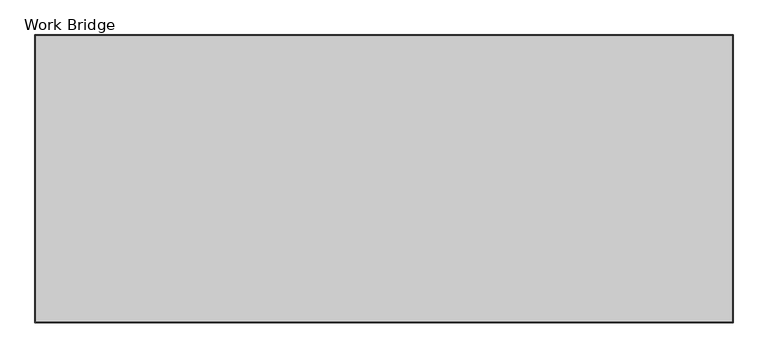
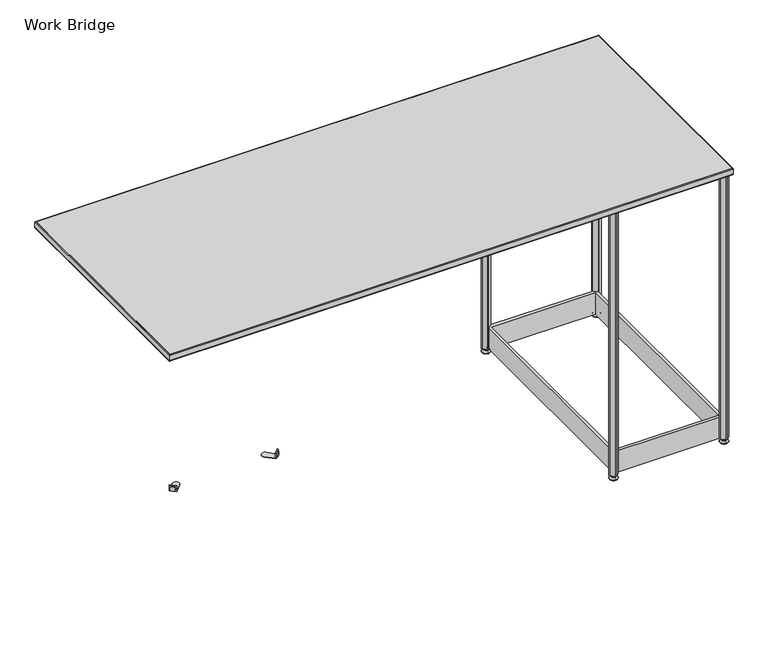
"""IFC4 building model written with IfcOpenShell, lengths in millimetres: furniture geometry, Work Bridge."""

from ifc_helpers import new_model, si_unit, point, frame, frame_2d, origin, place, context, project, spatial, polyline, circle_curve, ellipse_curve, trimmed, segment, composite_curve, outline, extrude, source, transform, mapped, element, save
from ifc_brep_helpers import plane_surface, cylinder_surface, revolved_surface, advanced_brep


def work_bridge_20966f3a(model_context):
    return source(origin(), model_context, "Body", "SolidModel", [
        extrude(outline(composite_curve([segment(polyline([(1612.3289295, -29.7938348), (1605.7351587, -23.200064)]), True, "CONTINUOUS"), segment(trimmed(circle_curve(frame_2d((1607.9802228, -20.955)), 3.175), [point((1605.7351587, -23.200064))], [point((1605.7351587, -18.709936))], False, "CARTESIAN"), True, "CONTINUOUS"), segment(polyline([(1605.7351587, -18.709936), (1618.9227002, -5.5223945)]), True, "CONTINUOUS"), segment(trimmed(circle_curve(frame_2d((1621.1677642, -7.7674585)), 3.175), [point((1618.9227002, -5.5223945))], [point((1623.4128283, -5.5223945))], False, "CARTESIAN"), True, "CONTINUOUS"), segment(polyline([(1623.4128283, -5.5223945), (1630.006599, -12.1161652), (1633.5145605, -8.6082037), (1640.9380415, -14.7582159), (1665.9562064, -14.7584862)]), True, "CONTINUOUS"), segment(trimmed(circle_curve(frame_2d((1665.9561241, -22.3784862)), 7.62), [point((1665.9562064, -14.7584862))], [point((1673.2215017, -24.6760257))], False, "CARTESIAN"), True, "CONTINUOUS"), segment(polyline([(1673.2215017, -24.6760257), (1663.9964184, -53.847978)]), True, "CONTINUOUS"), segment(trimmed(circle_curve(frame_2d((1649.4656632, -49.2528989)), 15.24), [point((1663.9964184, -53.847978))], [point((1654.0607422, -63.7836542))], False, "CARTESIAN"), True, "CONTINUOUS"), segment(polyline([(1654.0607422, -63.7836542), (1624.88879, -73.0087375)]), True, "CONTINUOUS"), segment(trimmed(circle_curve(frame_2d((1622.5912504, -65.7433598)), 7.62), [point((1624.88879, -73.0087375))], [point((1614.9712504, -65.7434421))], False, "CARTESIAN"), True, "CONTINUOUS"), segment(polyline([(1614.9712504, -65.7434421), (1614.9709802, -40.7252773), (1608.820968, -33.3017963), (1612.3289295, -29.7938348)]), True, "CONTINUOUS")], self_intersect=False)), frame((0.0, 0.0, 1022.9596), z_axis=(0.0, 0.0, 1.0), x_axis=(1.0, 0.0, 0.0)), (0.0, 0.0, 1.0), 2.9972),
        extrude(outline(composite_curve([segment(polyline([(2030.056599, -29.7938348), (2033.5645605, -33.3017963), (2027.4145483, -40.7252773), (2027.4142781, -65.7434421)]), True, "CONTINUOUS"), segment(trimmed(circle_curve(frame_2d((2019.7942781, -65.7433598)), 7.62), [point((2027.4142781, -65.7434421))], [point((2017.4967385, -73.0087375))], False, "CARTESIAN"), True, "CONTINUOUS"), segment(polyline([(2017.4967385, -73.0087375), (1988.3247862, -63.7836542)]), True, "CONTINUOUS"), segment(trimmed(circle_curve(frame_2d((1992.9198653, -49.2528989)), 15.24), [point((1988.3247862, -63.7836542))], [point((1978.3891101, -53.847978))], False, "CARTESIAN"), True, "CONTINUOUS"), segment(polyline([(1978.3891101, -53.847978), (1969.1640268, -24.6760257)]), True, "CONTINUOUS"), segment(trimmed(circle_curve(frame_2d((1976.4294044, -22.3784862)), 7.62), [point((1969.1640268, -24.6760257))], [point((1976.4293221, -14.7584862))], False, "CARTESIAN"), True, "CONTINUOUS"), segment(polyline([(1976.4293221, -14.7584862), (2001.447487, -14.7582159), (2008.870968, -8.6082037), (2012.3789295, -12.1161652), (2018.9727002, -5.5223945)]), True, "CONTINUOUS"), segment(trimmed(circle_curve(frame_2d((2021.2177642, -7.7674585)), 3.175), [point((2018.9727002, -5.5223945))], [point((2023.4628283, -5.5223945))], False, "CARTESIAN"), True, "CONTINUOUS"), segment(polyline([(2023.4628283, -5.5223945), (2036.6503697, -18.709936)]), True, "CONTINUOUS"), segment(trimmed(circle_curve(frame_2d((2034.4053057, -20.955)), 3.175), [point((2036.6503697, -18.709936))], [point((2036.6503697, -23.200064))], False, "CARTESIAN"), True, "CONTINUOUS"), segment(polyline([(2036.6503697, -23.200064), (2030.056599, -29.7938348)]), True, "CONTINUOUS")], self_intersect=False)), frame((0.0, 0.0, 1022.9596), z_axis=(0.0, 0.0, 1.0), x_axis=(1.0, 0.0, 0.0)), (0.0, 0.0, 1.0), 2.9972),
        extrude(outline(composite_curve([segment(polyline([(1612.3289295, -812.2161652), (1608.820968, -808.7082037), (1614.9709802, -801.2847227), (1614.9712504, -776.2665579)]), True, "CONTINUOUS"), segment(trimmed(circle_curve(frame_2d((1622.5912504, -776.2666402)), 7.62), [point((1614.9712504, -776.2665579))], [point((1624.88879, -769.0012625))], False, "CARTESIAN"), True, "CONTINUOUS"), segment(polyline([(1624.88879, -769.0012625), (1654.0607422, -778.2263458)]), True, "CONTINUOUS"), segment(trimmed(circle_curve(frame_2d((1649.4656632, -792.7571011)), 15.24), [point((1654.0607422, -778.2263458))], [point((1663.9964184, -788.162022))], False, "CARTESIAN"), True, "CONTINUOUS"), segment(polyline([(1663.9964184, -788.162022), (1673.2215017, -817.3339743)]), True, "CONTINUOUS"), segment(trimmed(circle_curve(frame_2d((1665.9561241, -819.6315138)), 7.62), [point((1673.2215017, -817.3339743))], [point((1665.9562064, -827.2515138))], False, "CARTESIAN"), True, "CONTINUOUS"), segment(polyline([(1665.9562064, -827.2515138), (1640.9380415, -827.2517841), (1633.5145605, -833.4017963), (1630.006599, -829.8938348), (1623.4128283, -836.4876055)]), True, "CONTINUOUS"), segment(trimmed(circle_curve(frame_2d((1621.1677642, -834.2425415)), 3.175), [point((1623.4128283, -836.4876055))], [point((1618.9227002, -836.4876055))], False, "CARTESIAN"), True, "CONTINUOUS"), segment(polyline([(1618.9227002, -836.4876055), (1605.7351587, -823.300064)]), True, "CONTINUOUS"), segment(trimmed(circle_curve(frame_2d((1607.9802228, -821.055)), 3.175), [point((1605.7351587, -823.300064))], [point((1605.7351587, -818.809936))], False, "CARTESIAN"), True, "CONTINUOUS"), segment(polyline([(1605.7351587, -818.809936), (1612.3289295, -812.2161652)]), True, "CONTINUOUS")], self_intersect=False)), frame((0.0, 0.0, 1022.9596), z_axis=(0.0, 0.0, 1.0), x_axis=(1.0, 0.0, 0.0)), (0.0, 0.0, 1.0), 2.9972),
        extrude(outline(composite_curve([segment(polyline([(2030.056599, -812.2161652), (2036.6503697, -818.809936)]), True, "CONTINUOUS"), segment(trimmed(circle_curve(frame_2d((2034.4053057, -821.055)), 3.175), [point((2036.6503697, -818.809936))], [point((2036.6503697, -823.300064))], False, "CARTESIAN"), True, "CONTINUOUS"), segment(polyline([(2036.6503697, -823.300064), (2023.4628283, -836.4876055)]), True, "CONTINUOUS"), segment(trimmed(circle_curve(frame_2d((2021.2177642, -834.2425415)), 3.175), [point((2023.4628283, -836.4876055))], [point((2018.9727002, -836.4876055))], False, "CARTESIAN"), True, "CONTINUOUS"), segment(polyline([(2018.9727002, -836.4876055), (2012.3789295, -829.8938348), (2008.870968, -833.4017963), (2001.447487, -827.2517841), (1976.4293221, -827.2515138)]), True, "CONTINUOUS"), segment(trimmed(circle_curve(frame_2d((1976.4294044, -819.6315138)), 7.62), [point((1976.4293221, -827.2515138))], [point((1969.1640268, -817.3339743))], False, "CARTESIAN"), True, "CONTINUOUS"), segment(polyline([(1969.1640268, -817.3339743), (1978.3891101, -788.162022)]), True, "CONTINUOUS"), segment(trimmed(circle_curve(frame_2d((1992.9198653, -792.7571011)), 15.24), [point((1978.3891101, -788.162022))], [point((1988.3247862, -778.2263458))], False, "CARTESIAN"), True, "CONTINUOUS"), segment(polyline([(1988.3247862, -778.2263458), (2017.4967385, -769.0012625)]), True, "CONTINUOUS"), segment(trimmed(circle_curve(frame_2d((2019.7942781, -776.2666402)), 7.62), [point((2017.4967385, -769.0012625))], [point((2027.4142781, -776.2665579))], False, "CARTESIAN"), True, "CONTINUOUS"), segment(polyline([(2027.4142781, -776.2665579), (2027.4145483, -801.2847227), (2033.5645605, -808.7082037), (2030.056599, -812.2161652)]), True, "CONTINUOUS")], self_intersect=False)), frame((0.0, 0.0, 1022.9596), z_axis=(0.0, 0.0, 1.0), x_axis=(1.0, 0.0, 0.0)), (0.0, 0.0, 1.0), 2.9972),
        extrude(outline(polyline([(1623.7077642, -805.9173305), (1623.7077642, -36.0926695), (1636.3054338, -23.495), (2006.0800947, -23.495), (2018.6777642, -36.0926695), (2018.6777642, -805.9173305), (2006.0800947, -818.515), (1636.3054338, -818.515), (1623.7077642, -805.9173305)]), holes=[polyline([(1633.8677642, -36.703), (1633.8677642, -808.355), (2008.5177642, -808.355), (2008.5177642, -36.703), (1633.8677642, -36.703)])]), frame((0.0, 0.0, 15.9766), z_axis=(0.0, 0.0, 1.0), x_axis=(1.0, 0.0, 0.0)), (0.0, 0.0, 1.0), 81.28),
        advanced_brep(
        [(2021.2177642, -16.955341, 15.9766), (2021.2177642, -24.954659, 15.9766), (2021.2177642, -20.955, 15.9766), (2021.2177642, -16.955341, 12.6000054), (2021.2177642, -24.954659, 12.6000054), (2021.2177642, -15.0948545, 12.6000054), (2021.2177642, -26.8151455, 12.6000054), (2021.2177642, -14.4598538, 11.9650074), (2021.2177642, -27.4501462, 11.9650074), (2021.2177642, -14.4598538, 9.0000124), (2021.2177642, -27.4501462, 9.0000124), (2021.2177642, -12.2128024, 9.0000124), (2021.2177642, -29.6971976, 9.0000124), (2021.2177642, -6.2489923, 2.3275608), (2021.2177642, -35.6610077, 2.3275608), (2021.2177642, -7.290399, 0.0), (2021.2177642, -34.619601, 0.0), (2021.2177642, -20.955, 0.0)],
        [
            (0, 1, circle_curve(frame((2021.2177642, -20.955, 15.9766), z_axis=(0.0, 0.0, 1.0), x_axis=(0.0, -1.0, 0.0)), 3.999659)),
            (1, 2),
            (2, 0),
            (1, 0, circle_curve(frame((2021.2177642, -20.955, 15.9766), z_axis=(0.0, 0.0, 1.0), x_axis=(0.0, -1.0, 0.0)), 3.999659)),
            (3, 4, circle_curve(frame((2021.2177642, -20.955, 12.6000054), z_axis=(0.0, 0.0, 1.0), x_axis=(0.0, -1.0, 0.0)), 3.999659)),
            (4, 1),
            (0, 3),
            (4, 3, circle_curve(frame((2021.2177642, -20.955, 12.6000054), z_axis=(0.0, 0.0, 1.0), x_axis=(0.0, -1.0, 0.0)), 3.999659)),
            (5, 6, circle_curve(frame((2021.2177642, -20.955, 12.6000054), z_axis=(0.0, 0.0, 1.0), x_axis=(0.0, -1.0, 0.0)), 5.8601455)),
            (6, 4),
            (3, 5),
            (6, 5, circle_curve(frame((2021.2177642, -20.955, 12.6000054), z_axis=(0.0, 0.0, 1.0), x_axis=(0.0, -1.0, 0.0)), 5.8601455)),
            (7, 8, circle_curve(frame((2021.2177642, -20.955, 11.9650074), z_axis=(0.0, 0.0, 1.0), x_axis=(0.0, -1.0, 0.0)), 6.4951462)),
            (8, 6, circle_curve(frame((2021.2177642, -26.8151462, 11.9650074), z_axis=(-1.0, 0.0, 0.0), x_axis=(0.0, -1.0, 0.0)), 0.635)),
            (5, 7, circle_curve(frame((2021.2177642, -15.0948538, 11.9650074), z_axis=(-1.0, 0.0, 0.0), x_axis=(0.0, 1.0, 0.0)), 0.635)),
            (8, 7, circle_curve(frame((2021.2177642, -20.955, 11.9650074), z_axis=(0.0, 0.0, 1.0), x_axis=(0.0, -1.0, 0.0)), 6.4951462)),
            (9, 10, circle_curve(frame((2021.2177642, -20.955, 9.0000124), z_axis=(0.0, 0.0, 1.0), x_axis=(0.0, -1.0, 0.0)), 6.4951462)),
            (10, 8),
            (7, 9),
            (10, 9, circle_curve(frame((2021.2177642, -20.955, 9.0000124), z_axis=(0.0, 0.0, 1.0), x_axis=(0.0, -1.0, 0.0)), 6.4951462)),
            (11, 12, circle_curve(frame((2021.2177642, -20.955, 9.0000124), z_axis=(0.0, 0.0, 1.0), x_axis=(0.0, -1.0, 0.0)), 8.7421976)),
            (12, 10),
            (9, 11),
            (12, 11, circle_curve(frame((2021.2177642, -20.955, 9.0000124), z_axis=(0.0, 0.0, 1.0), x_axis=(0.0, -1.0, 0.0)), 8.7421976)),
            (13, 14, circle_curve(frame((2021.2177642, -20.955, 2.3275608), z_axis=(0.0, 0.0, 1.0), x_axis=(0.0, -1.0, 0.0)), 14.7060077)),
            (14, 12),
            (11, 13),
            (14, 13, circle_curve(frame((2021.2177642, -20.955, 2.3275608), z_axis=(0.0, 0.0, 1.0), x_axis=(0.0, -1.0, 0.0)), 14.7060077)),
            (15, 16, circle_curve(frame((2021.2177642, -20.955, 0.0), z_axis=(0.0, 0.0, 1.0), x_axis=(0.0, -1.0, 0.0)), 13.664601)),
            (16, 14, circle_curve(frame((2021.2177642, -34.619601, 1.3967556), z_axis=(-1.0, 0.0, 0.0), x_axis=(0.0, -1.0, 0.0)), 1.3967556)),
            (13, 15, circle_curve(frame((2021.2177642, -7.290399, 1.3967556), z_axis=(-1.0, 0.0, 0.0), x_axis=(0.0, 1.0, 0.0)), 1.3967556)),
            (16, 15, circle_curve(frame((2021.2177642, -20.955, 0.0), z_axis=(0.0, 0.0, 1.0), x_axis=(0.0, -1.0, 0.0)), 13.664601)),
            (17, 16),
            (15, 17),
        ],
        [
            plane_surface(frame((2021.2177642, -20.955, 15.9766), z_axis=(0.0, 0.0, 1.0), x_axis=(0.0, -1.0, 0.0))),
            cylinder_surface(frame((2021.2177642, -20.955, -4.132372), z_axis=(0.0, 0.0, -1.0), x_axis=(0.0, -1.0, 0.0)), 3.999659),
            plane_surface(frame((2021.2177642, -20.955, 12.6000054), z_axis=(0.0, 0.0, 1.0), x_axis=(0.0, -1.0, 0.0))),
            revolved_surface(trimmed(ellipse_curve(frame((2021.2177642, -26.8151462, 11.9650074), z_axis=(1.0, 0.0, 0.0), x_axis=(0.0, -1.0, 0.0)), 0.635, 0.635), [point((2021.2177642, -26.8151455, 12.6000074))], [point((2021.2177642, -27.4501462, 11.9650074))], True, "CARTESIAN"), (2021.2177642, -20.955, -4.132372), (0.0, 0.0, -1.0)),
            cylinder_surface(frame((2021.2177642, -20.955, -4.132372), z_axis=(0.0, 0.0, -1.0), x_axis=(0.0, -1.0, 0.0)), 6.4951462),
            plane_surface(frame((2021.2177642, -20.955, 9.0000124), z_axis=(0.0, 0.0, 1.0), x_axis=(0.0, -1.0, 0.0))),
            revolved_surface(polyline([(2021.2177642, -29.6971976, 9.0000124), (2021.2177642, -35.6610077, 2.3275608)]), (2021.2177642, -20.955, -4.132372), (0.0, 0.0, -1.0)),
            revolved_surface(trimmed(ellipse_curve(frame((2021.2177642, -34.619601, 1.3967556), z_axis=(1.0, 0.0, 0.0), x_axis=(0.0, -1.0, 0.0)), 1.3967556, 1.3967556), [point((2021.2177642, -35.6610077, 2.3275608))], [point((2021.2177642, -34.619601, 0.0))], True, "CARTESIAN"), (2021.2177642, -20.955, -4.132372), (0.0, 0.0, -1.0)),
            plane_surface(frame((2021.2177642, -20.955, 0.0), z_axis=(0.0, 0.0, -1.0), x_axis=(0.0, -1.0, 0.0))),
        ],
        [
            (0, [[1, 2, 3]]),
            (0, [[4, -3, -2]]),
            (1, [[5, 6, -1, 7]]),
            (1, [[8, -7, -4, -6]]),
            (2, [[9, 10, -5, 11]]),
            (2, [[12, -11, -8, -10]]),
            (3, [[13, 14, -9, 15]]),
            (3, [[16, -15, -12, -14]]),
            (4, [[17, 18, -13, 19]]),
            (4, [[20, -19, -16, -18]]),
            (5, [[21, 22, -17, 23]]),
            (5, [[24, -23, -20, -22]]),
            (6, [[25, 26, -21, 27]]),
            (6, [[28, -27, -24, -26]]),
            (7, [[29, 30, -25, 31]]),
            (7, [[32, -31, -28, -30]]),
            (8, [[33, -29, 34]]),
            (8, [[-34, -32, -33]]),
        ],
    ),
        advanced_brep(
        [(2021.2177642, -821.055, 15.9766), (2021.2177642, -817.055341, 15.9766), (2021.2177642, -825.054659, 15.9766), (2021.2177642, -817.055341, 12.6000054), (2021.2177642, -825.054659, 12.6000054), (2021.2177642, -815.1948545, 12.6000074), (2021.2177642, -826.9151455, 12.6000074), (2021.2177642, -814.5598538, 11.9650074), (2021.2177642, -827.5501462, 11.9650074), (2021.2177642, -814.5598538, 9.0000124), (2021.2177642, -827.5501462, 9.0000124), (2021.2177642, -812.3128024, 9.0000124), (2021.2177642, -829.7971976, 9.0000124), (2021.2177642, -806.3489923, 2.3275608), (2021.2177642, -835.7610077, 2.3275608), (2021.2177642, -807.390399, 0.0), (2021.2177642, -834.719601, 0.0), (2021.2177642, -821.055, 0.0)],
        [
            (0, 1),
            (1, 2, circle_curve(frame((2021.2177642, -821.055, 15.9766), z_axis=(0.0, 0.0, 1.0), x_axis=(0.0, 1.0, 0.0)), 3.999659)),
            (2, 0),
            (2, 1, circle_curve(frame((2021.2177642, -821.055, 15.9766), z_axis=(0.0, 0.0, 1.0), x_axis=(0.0, 1.0, 0.0)), 3.999659)),
            (1, 3),
            (3, 4, circle_curve(frame((2021.2177642, -821.055, 12.6000054), z_axis=(0.0, 0.0, 1.0), x_axis=(0.0, 1.0, 0.0)), 3.999659)),
            (4, 2),
            (4, 3, circle_curve(frame((2021.2177642, -821.055, 12.6000054), z_axis=(0.0, 0.0, 1.0), x_axis=(0.0, 1.0, 0.0)), 3.999659)),
            (3, 5),
            (5, 6, circle_curve(frame((2021.2177642, -821.055, 12.6000074), z_axis=(0.0, 0.0, 1.0), x_axis=(0.0, 1.0, 0.0)), 5.8601455)),
            (6, 4),
            (6, 5, circle_curve(frame((2021.2177642, -821.055, 12.6000074), z_axis=(0.0, 0.0, 1.0), x_axis=(0.0, 1.0, 0.0)), 5.8601455)),
            (5, 7, circle_curve(frame((2021.2177642, -815.1948538, 11.9650074), z_axis=(-1.0, 0.0, 0.0), x_axis=(0.0, 1.0, 0.0)), 0.635)),
            (7, 8, circle_curve(frame((2021.2177642, -821.055, 11.9650074), z_axis=(0.0, 0.0, 1.0), x_axis=(0.0, 1.0, 0.0)), 6.4951462)),
            (8, 6, circle_curve(frame((2021.2177642, -826.9151462, 11.9650074), z_axis=(-1.0, 0.0, 0.0), x_axis=(0.0, -1.0, 0.0)), 0.635)),
            (8, 7, circle_curve(frame((2021.2177642, -821.055, 11.9650074), z_axis=(0.0, 0.0, 1.0), x_axis=(0.0, 1.0, 0.0)), 6.4951462)),
            (7, 9),
            (9, 10, circle_curve(frame((2021.2177642, -821.055, 9.0000124), z_axis=(0.0, 0.0, 1.0), x_axis=(0.0, 1.0, 0.0)), 6.4951462)),
            (10, 8),
            (10, 9, circle_curve(frame((2021.2177642, -821.055, 9.0000124), z_axis=(0.0, 0.0, 1.0), x_axis=(0.0, 1.0, 0.0)), 6.4951462)),
            (9, 11),
            (11, 12, circle_curve(frame((2021.2177642, -821.055, 9.0000124), z_axis=(0.0, 0.0, 1.0), x_axis=(0.0, 1.0, 0.0)), 8.7421976)),
            (12, 10),
            (12, 11, circle_curve(frame((2021.2177642, -821.055, 9.0000124), z_axis=(0.0, 0.0, 1.0), x_axis=(0.0, 1.0, 0.0)), 8.7421976)),
            (11, 13),
            (13, 14, circle_curve(frame((2021.2177642, -821.055, 2.3275608), z_axis=(0.0, 0.0, 1.0), x_axis=(0.0, 1.0, 0.0)), 14.7060077)),
            (14, 12),
            (14, 13, circle_curve(frame((2021.2177642, -821.055, 2.3275608), z_axis=(0.0, 0.0, 1.0), x_axis=(0.0, 1.0, 0.0)), 14.7060077)),
            (13, 15, circle_curve(frame((2021.2177642, -807.390399, 1.3967556), z_axis=(-1.0, 0.0, 0.0), x_axis=(0.0, 1.0, 0.0)), 1.3967556)),
            (15, 16, circle_curve(frame((2021.2177642, -821.055, 0.0), z_axis=(0.0, 0.0, 1.0), x_axis=(0.0, 1.0, 0.0)), 13.664601)),
            (16, 14, circle_curve(frame((2021.2177642, -834.719601, 1.3967556), z_axis=(-1.0, 0.0, 0.0), x_axis=(0.0, -1.0, 0.0)), 1.3967556)),
            (16, 15, circle_curve(frame((2021.2177642, -821.055, 0.0), z_axis=(0.0, 0.0, 1.0), x_axis=(0.0, 1.0, 0.0)), 13.664601)),
            (15, 17),
            (17, 16),
        ],
        [
            plane_surface(frame((2021.2177642, -821.055, 15.9766), z_axis=(0.0, 0.0, 1.0), x_axis=(0.0, 1.0, 0.0))),
            cylinder_surface(frame((2021.2177642, -821.055, -4.132372), z_axis=(0.0, 0.0, 1.0), x_axis=(0.0, 1.0, 0.0)), 3.999659),
            plane_surface(frame((2021.2177642, -821.055, 12.6000074), z_axis=(0.0, 0.0, 1.0), x_axis=(0.0, 1.0, 0.0))),
            revolved_surface(trimmed(ellipse_curve(frame((2021.2177642, -815.1948538, 11.9650074), z_axis=(1.0, 0.0, 0.0), x_axis=(0.0, 1.0, 0.0)), 0.635, 0.635), [point((2021.2177642, -814.5598538, 11.9650074))], [point((2021.2177642, -815.1948545, 12.6000074))], True, "CARTESIAN"), (2021.2177642, -821.055, -4.132372), (0.0, 0.0, 1.0)),
            cylinder_surface(frame((2021.2177642, -821.055, -4.132372), z_axis=(0.0, 0.0, 1.0), x_axis=(0.0, 1.0, 0.0)), 6.4951462),
            plane_surface(frame((2021.2177642, -821.055, 9.0000124), z_axis=(0.0, 0.0, 1.0), x_axis=(0.0, 1.0, 0.0))),
            revolved_surface(polyline([(2021.2177642, -806.3489923, 2.3275608), (2021.2177642, -812.3128024, 9.0000124)]), (2021.2177642, -821.055, -4.132372), (0.0, 0.0, 1.0)),
            revolved_surface(trimmed(ellipse_curve(frame((2021.2177642, -807.390399, 1.3967556), z_axis=(1.0, 0.0, 0.0), x_axis=(0.0, 1.0, 0.0)), 1.3967556, 1.3967556), [point((2021.2177642, -807.390399, 0.0))], [point((2021.2177642, -806.3489923, 2.3275608))], True, "CARTESIAN"), (2021.2177642, -821.055, -4.132372), (0.0, 0.0, 1.0)),
            plane_surface(frame((2021.2177642, -821.055, 0.0), z_axis=(0.0, 0.0, -1.0), x_axis=(0.0, 1.0, 0.0))),
        ],
        [
            (0, [[1, 2, 3]]),
            (0, [[-3, 4, -1]]),
            (1, [[-2, 5, 6, 7]]),
            (1, [[-4, -7, 8, -5]]),
            (2, [[-6, 9, 10, 11]]),
            (2, [[-8, -11, 12, -9]]),
            (3, [[-10, 13, 14, 15]]),
            (3, [[-12, -15, 16, -13]]),
            (4, [[-14, 17, 18, 19]]),
            (4, [[-16, -19, 20, -17]]),
            (5, [[-18, 21, 22, 23]]),
            (5, [[-20, -23, 24, -21]]),
            (6, [[-22, 25, 26, 27]]),
            (6, [[-24, -27, 28, -25]]),
            (7, [[-26, 29, 30, 31]]),
            (7, [[-28, -31, 32, -29]]),
            (8, [[-30, 33, 34]]),
            (8, [[-32, -34, -33]]),
        ],
    ),
        advanced_brep(
        [(1621.1677642, -821.055, 15.9766), (1621.1677642, -817.055341, 15.9766), (1621.1677642, -825.054659, 15.9766), (1621.1677642, -817.055341, 12.6000054), (1621.1677642, -825.054659, 12.6000054), (1621.1677642, -815.1948545, 12.6000074), (1621.1677642, -826.9151455, 12.6000074), (1621.1677642, -814.5598538, 11.9650074), (1621.1677642, -827.5501462, 11.9650074), (1621.1677642, -814.5598538, 9.0000124), (1621.1677642, -827.5501462, 9.0000124), (1621.1677642, -812.3128024, 9.0000124), (1621.1677642, -829.7971976, 9.0000124), (1621.1677642, -806.3489923, 2.3275608), (1621.1677642, -835.7610077, 2.3275608), (1621.1677642, -807.390399, 0.0), (1621.1677642, -834.719601, 0.0), (1621.1677642, -821.055, 0.0)],
        [
            (0, 1),
            (1, 2, circle_curve(frame((1621.1677642, -821.055, 15.9766), z_axis=(0.0, 0.0, 1.0), x_axis=(0.0, 1.0, 0.0)), 3.999659)),
            (2, 0),
            (2, 1, circle_curve(frame((1621.1677642, -821.055, 15.9766), z_axis=(0.0, 0.0, 1.0), x_axis=(0.0, 1.0, 0.0)), 3.999659)),
            (1, 3),
            (3, 4, circle_curve(frame((1621.1677642, -821.055, 12.6000054), z_axis=(0.0, 0.0, 1.0), x_axis=(0.0, 1.0, 0.0)), 3.999659)),
            (4, 2),
            (4, 3, circle_curve(frame((1621.1677642, -821.055, 12.6000054), z_axis=(0.0, 0.0, 1.0), x_axis=(0.0, 1.0, 0.0)), 3.999659)),
            (3, 5),
            (5, 6, circle_curve(frame((1621.1677642, -821.055, 12.6000074), z_axis=(0.0, 0.0, 1.0), x_axis=(0.0, 1.0, 0.0)), 5.8601455)),
            (6, 4),
            (6, 5, circle_curve(frame((1621.1677642, -821.055, 12.6000074), z_axis=(0.0, 0.0, 1.0), x_axis=(0.0, 1.0, 0.0)), 5.8601455)),
            (5, 7, circle_curve(frame((1621.1677642, -815.1948538, 11.9650074), z_axis=(-1.0, 0.0, 0.0), x_axis=(0.0, -1.0, 0.0)), 0.635)),
            (7, 8, circle_curve(frame((1621.1677642, -821.055, 11.9650074), z_axis=(0.0, 0.0, 1.0), x_axis=(0.0, 1.0, 0.0)), 6.4951462)),
            (8, 6, circle_curve(frame((1621.1677642, -826.9151462, 11.9650074), z_axis=(-1.0, 0.0, 0.0), x_axis=(0.0, 1.0, 0.0)), 0.635)),
            (8, 7, circle_curve(frame((1621.1677642, -821.055, 11.9650074), z_axis=(0.0, 0.0, 1.0), x_axis=(0.0, 1.0, 0.0)), 6.4951462)),
            (7, 9),
            (9, 10, circle_curve(frame((1621.1677642, -821.055, 9.0000124), z_axis=(0.0, 0.0, 1.0), x_axis=(0.0, 1.0, 0.0)), 6.4951462)),
            (10, 8),
            (10, 9, circle_curve(frame((1621.1677642, -821.055, 9.0000124), z_axis=(0.0, 0.0, 1.0), x_axis=(0.0, 1.0, 0.0)), 6.4951462)),
            (9, 11),
            (11, 12, circle_curve(frame((1621.1677642, -821.055, 9.0000124), z_axis=(0.0, 0.0, 1.0), x_axis=(0.0, 1.0, 0.0)), 8.7421976)),
            (12, 10),
            (12, 11, circle_curve(frame((1621.1677642, -821.055, 9.0000124), z_axis=(0.0, 0.0, 1.0), x_axis=(0.0, 1.0, 0.0)), 8.7421976)),
            (11, 13),
            (13, 14, circle_curve(frame((1621.1677642, -821.055, 2.3275608), z_axis=(0.0, 0.0, 1.0), x_axis=(0.0, 1.0, 0.0)), 14.7060077)),
            (14, 12),
            (14, 13, circle_curve(frame((1621.1677642, -821.055, 2.3275608), z_axis=(0.0, 0.0, 1.0), x_axis=(0.0, 1.0, 0.0)), 14.7060077)),
            (13, 15, circle_curve(frame((1621.1677642, -807.390399, 1.3967556), z_axis=(-1.0, 0.0, 0.0), x_axis=(0.0, -1.0, 0.0)), 1.3967556)),
            (15, 16, circle_curve(frame((1621.1677642, -821.055, 0.0), z_axis=(0.0, 0.0, 1.0), x_axis=(0.0, 1.0, 0.0)), 13.664601)),
            (16, 14, circle_curve(frame((1621.1677642, -834.719601, 1.3967556), z_axis=(-1.0, 0.0, 0.0), x_axis=(0.0, 1.0, 0.0)), 1.3967556)),
            (16, 15, circle_curve(frame((1621.1677642, -821.055, 0.0), z_axis=(0.0, 0.0, 1.0), x_axis=(0.0, 1.0, 0.0)), 13.664601)),
            (15, 17),
            (17, 16),
        ],
        [
            plane_surface(frame((1621.1677642, -821.055, 15.9766), z_axis=(0.0, 0.0, 1.0), x_axis=(0.0, 1.0, 0.0))),
            cylinder_surface(frame((1621.1677642, -821.055, -4.132372), z_axis=(0.0, 0.0, 1.0), x_axis=(0.0, 1.0, 0.0)), 3.999659),
            plane_surface(frame((1621.1677642, -821.055, 12.6000074), z_axis=(0.0, 0.0, 1.0), x_axis=(0.0, 1.0, 0.0))),
            revolved_surface(trimmed(ellipse_curve(frame((1621.1677642, -815.1948538, 11.9650074), z_axis=(1.0, 0.0, 0.0), x_axis=(0.0, -1.0, 0.0)), 0.635, 0.635), [point((1621.1677642, -814.5598538, 11.9650074))], [point((1621.1677642, -815.1948545, 12.6000074))], True, "CARTESIAN"), (1621.1677642, -821.055, -4.132372), (0.0, 0.0, 1.0)),
            cylinder_surface(frame((1621.1677642, -821.055, -4.132372), z_axis=(0.0, 0.0, 1.0), x_axis=(0.0, 1.0, 0.0)), 6.4951462),
            plane_surface(frame((1621.1677642, -821.055, 9.0000124), z_axis=(0.0, 0.0, 1.0), x_axis=(0.0, 1.0, 0.0))),
            revolved_surface(polyline([(1621.1677642, -806.3489923, 2.3275608), (1621.1677642, -812.3128024, 9.0000124)]), (1621.1677642, -821.055, -4.132372), (0.0, 0.0, 1.0)),
            revolved_surface(trimmed(ellipse_curve(frame((1621.1677642, -807.390399, 1.3967556), z_axis=(1.0, 0.0, 0.0), x_axis=(0.0, -1.0, 0.0)), 1.3967556, 1.3967556), [point((1621.1677642, -807.390399, 0.0))], [point((1621.1677642, -806.3489923, 2.3275608))], True, "CARTESIAN"), (1621.1677642, -821.055, -4.132372), (0.0, 0.0, 1.0)),
            plane_surface(frame((1621.1677642, -821.055, 0.0), z_axis=(0.0, 0.0, -1.0), x_axis=(0.0, 1.0, 0.0))),
        ],
        [
            (0, [[1, 2, 3]]),
            (0, [[-3, 4, -1]]),
            (1, [[-2, 5, 6, 7]]),
            (1, [[-4, -7, 8, -5]]),
            (2, [[-6, 9, 10, 11]]),
            (2, [[-8, -11, 12, -9]]),
            (3, [[-10, 13, 14, 15]]),
            (3, [[-12, -15, 16, -13]]),
            (4, [[-14, 17, 18, 19]]),
            (4, [[-16, -19, 20, -17]]),
            (5, [[-18, 21, 22, 23]]),
            (5, [[-20, -23, 24, -21]]),
            (6, [[-22, 25, 26, 27]]),
            (6, [[-24, -27, 28, -25]]),
            (7, [[-26, 29, 30, 31]]),
            (7, [[-28, -31, 32, -29]]),
            (8, [[-30, 33, 34]]),
            (8, [[-32, -34, -33]]),
        ],
    ),
        advanced_brep(
        [(1621.1677642, -16.955341, 15.9766), (1621.1677642, -24.954659, 15.9766), (1621.1677642, -20.955, 15.9766), (1621.1677642, -16.955341, 12.6000054), (1621.1677642, -24.954659, 12.6000054), (1621.1677642, -15.0948545, 12.6000054), (1621.1677642, -26.8151455, 12.6000054), (1621.1677642, -14.4598538, 11.9650074), (1621.1677642, -27.4501462, 11.9650074), (1621.1677642, -14.4598538, 9.0000124), (1621.1677642, -27.4501462, 9.0000124), (1621.1677642, -12.2128024, 9.0000124), (1621.1677642, -29.6971976, 9.0000124), (1621.1677642, -6.2489923, 2.3275608), (1621.1677642, -35.6610077, 2.3275608), (1621.1677642, -7.290399, 0.0), (1621.1677642, -34.619601, 0.0), (1621.1677642, -20.955, 0.0)],
        [
            (0, 1, circle_curve(frame((1621.1677642, -20.955, 15.9766), z_axis=(0.0, 0.0, 1.0), x_axis=(0.0, -1.0, 0.0)), 3.999659)),
            (1, 2),
            (2, 0),
            (1, 0, circle_curve(frame((1621.1677642, -20.955, 15.9766), z_axis=(0.0, 0.0, 1.0), x_axis=(0.0, -1.0, 0.0)), 3.999659)),
            (3, 4, circle_curve(frame((1621.1677642, -20.955, 12.6000054), z_axis=(0.0, 0.0, 1.0), x_axis=(0.0, -1.0, 0.0)), 3.999659)),
            (4, 1),
            (0, 3),
            (4, 3, circle_curve(frame((1621.1677642, -20.955, 12.6000054), z_axis=(0.0, 0.0, 1.0), x_axis=(0.0, -1.0, 0.0)), 3.999659)),
            (5, 6, circle_curve(frame((1621.1677642, -20.955, 12.6000054), z_axis=(0.0, 0.0, 1.0), x_axis=(0.0, -1.0, 0.0)), 5.8601455)),
            (6, 4),
            (3, 5),
            (6, 5, circle_curve(frame((1621.1677642, -20.955, 12.6000054), z_axis=(0.0, 0.0, 1.0), x_axis=(0.0, -1.0, 0.0)), 5.8601455)),
            (7, 8, circle_curve(frame((1621.1677642, -20.955, 11.9650074), z_axis=(0.0, 0.0, 1.0), x_axis=(0.0, -1.0, 0.0)), 6.4951462)),
            (8, 6, circle_curve(frame((1621.1677642, -26.8151462, 11.9650074), z_axis=(-1.0, 0.0, 0.0), x_axis=(0.0, 1.0, 0.0)), 0.635)),
            (5, 7, circle_curve(frame((1621.1677642, -15.0948538, 11.9650074), z_axis=(-1.0, 0.0, 0.0), x_axis=(0.0, -1.0, 0.0)), 0.635)),
            (8, 7, circle_curve(frame((1621.1677642, -20.955, 11.9650074), z_axis=(0.0, 0.0, 1.0), x_axis=(0.0, -1.0, 0.0)), 6.4951462)),
            (9, 10, circle_curve(frame((1621.1677642, -20.955, 9.0000124), z_axis=(0.0, 0.0, 1.0), x_axis=(0.0, -1.0, 0.0)), 6.4951462)),
            (10, 8),
            (7, 9),
            (10, 9, circle_curve(frame((1621.1677642, -20.955, 9.0000124), z_axis=(0.0, 0.0, 1.0), x_axis=(0.0, -1.0, 0.0)), 6.4951462)),
            (11, 12, circle_curve(frame((1621.1677642, -20.955, 9.0000124), z_axis=(0.0, 0.0, 1.0), x_axis=(0.0, -1.0, 0.0)), 8.7421976)),
            (12, 10),
            (9, 11),
            (12, 11, circle_curve(frame((1621.1677642, -20.955, 9.0000124), z_axis=(0.0, 0.0, 1.0), x_axis=(0.0, -1.0, 0.0)), 8.7421976)),
            (13, 14, circle_curve(frame((1621.1677642, -20.955, 2.3275608), z_axis=(0.0, 0.0, 1.0), x_axis=(0.0, -1.0, 0.0)), 14.7060077)),
            (14, 12),
            (11, 13),
            (14, 13, circle_curve(frame((1621.1677642, -20.955, 2.3275608), z_axis=(0.0, 0.0, 1.0), x_axis=(0.0, -1.0, 0.0)), 14.7060077)),
            (15, 16, circle_curve(frame((1621.1677642, -20.955, 0.0), z_axis=(0.0, 0.0, 1.0), x_axis=(0.0, -1.0, 0.0)), 13.664601)),
            (16, 14, circle_curve(frame((1621.1677642, -34.619601, 1.3967556), z_axis=(-1.0, 0.0, 0.0), x_axis=(0.0, 1.0, 0.0)), 1.3967556)),
            (13, 15, circle_curve(frame((1621.1677642, -7.290399, 1.3967556), z_axis=(-1.0, 0.0, 0.0), x_axis=(0.0, -1.0, 0.0)), 1.3967556)),
            (16, 15, circle_curve(frame((1621.1677642, -20.955, 0.0), z_axis=(0.0, 0.0, 1.0), x_axis=(0.0, -1.0, 0.0)), 13.664601)),
            (17, 16),
            (15, 17),
        ],
        [
            plane_surface(frame((1621.1677642, -20.955, 15.9766), z_axis=(0.0, 0.0, 1.0), x_axis=(0.0, -1.0, 0.0))),
            cylinder_surface(frame((1621.1677642, -20.955, -4.132372), z_axis=(0.0, 0.0, -1.0), x_axis=(0.0, -1.0, 0.0)), 3.999659),
            plane_surface(frame((1621.1677642, -20.955, 12.6000054), z_axis=(0.0, 0.0, 1.0), x_axis=(0.0, -1.0, 0.0))),
            revolved_surface(trimmed(ellipse_curve(frame((1621.1677642, -26.8151462, 11.9650074), z_axis=(1.0, 0.0, 0.0), x_axis=(0.0, 1.0, 0.0)), 0.635, 0.635), [point((1621.1677642, -26.8151455, 12.6000074))], [point((1621.1677642, -27.4501462, 11.9650074))], True, "CARTESIAN"), (1621.1677642, -20.955, -4.132372), (0.0, 0.0, -1.0)),
            cylinder_surface(frame((1621.1677642, -20.955, -4.132372), z_axis=(0.0, 0.0, -1.0), x_axis=(0.0, -1.0, 0.0)), 6.4951462),
            plane_surface(frame((1621.1677642, -20.955, 9.0000124), z_axis=(0.0, 0.0, 1.0), x_axis=(0.0, -1.0, 0.0))),
            revolved_surface(polyline([(1621.1677642, -29.6971976, 9.0000124), (1621.1677642, -35.6610077, 2.3275608)]), (1621.1677642, -20.955, -4.132372), (0.0, 0.0, -1.0)),
            revolved_surface(trimmed(ellipse_curve(frame((1621.1677642, -34.619601, 1.3967556), z_axis=(1.0, 0.0, 0.0), x_axis=(0.0, 1.0, 0.0)), 1.3967556, 1.3967556), [point((1621.1677642, -35.6610077, 2.3275608))], [point((1621.1677642, -34.619601, 0.0))], True, "CARTESIAN"), (1621.1677642, -20.955, -4.132372), (0.0, 0.0, -1.0)),
            plane_surface(frame((1621.1677642, -20.955, 0.0), z_axis=(0.0, 0.0, -1.0), x_axis=(0.0, -1.0, 0.0))),
        ],
        [
            (0, [[1, 2, 3]]),
            (0, [[4, -3, -2]]),
            (1, [[5, 6, -1, 7]]),
            (1, [[8, -7, -4, -6]]),
            (2, [[9, 10, -5, 11]]),
            (2, [[12, -11, -8, -10]]),
            (3, [[13, 14, -9, 15]]),
            (3, [[16, -15, -12, -14]]),
            (4, [[17, 18, -13, 19]]),
            (4, [[20, -19, -16, -18]]),
            (5, [[21, 22, -17, 23]]),
            (5, [[24, -23, -20, -22]]),
            (6, [[25, 26, -21, 27]]),
            (6, [[28, -27, -24, -26]]),
            (7, [[29, 30, -25, 31]]),
            (7, [[32, -31, -28, -30]]),
            (8, [[33, -29, 34]]),
            (8, [[-34, -32, -33]]),
        ],
    ),
        extrude(outline(composite_curve([segment(polyline([(1618.9227002, -36.3876055), (1605.7351587, -23.200064)]), True, "CONTINUOUS"), segment(trimmed(circle_curve(frame_2d((1607.9802228, -20.955)), 3.175), [point((1605.7351587, -23.200064))], [point((1605.7351587, -18.709936))], False, "CARTESIAN"), True, "CONTINUOUS"), segment(polyline([(1605.7351587, -18.709936), (1618.9227002, -5.5223945)]), True, "CONTINUOUS"), segment(trimmed(circle_curve(frame_2d((1621.1677642, -7.7674585)), 3.175), [point((1618.9227002, -5.5223945))], [point((1623.4128283, -5.5223945))], False, "CARTESIAN"), True, "CONTINUOUS"), segment(polyline([(1623.4128283, -5.5223945), (1636.6003697, -18.709936)]), True, "CONTINUOUS"), segment(trimmed(circle_curve(frame_2d((1634.3553057, -20.955)), 3.175), [point((1636.6003697, -18.709936))], [point((1636.6003697, -23.200064))], False, "CARTESIAN"), True, "CONTINUOUS"), segment(polyline([(1636.6003697, -23.200064), (1623.4128283, -36.3876055)]), True, "CONTINUOUS"), segment(trimmed(circle_curve(frame_2d((1621.1677642, -34.1425415)), 3.175), [point((1623.4128283, -36.3876055))], [point((1618.9227002, -36.3876055))], False, "CARTESIAN"), True, "CONTINUOUS")], self_intersect=False)), frame((0.0, 0.0, 15.9766), z_axis=(0.0, 0.0, 1.0), x_axis=(1.0, 0.0, 0.0)), (0.0, 0.0, 1.0), 1006.983),
        extrude(outline(composite_curve([segment(trimmed(circle_curve(frame_2d((2021.2177642, -34.1425415)), 3.175), [point((2023.4628283, -36.3876055))], [point((2018.9727002, -36.3876055))], False, "CARTESIAN"), True, "CONTINUOUS"), segment(polyline([(2018.9727002, -36.3876055), (2005.7851587, -23.200064)]), True, "CONTINUOUS"), segment(trimmed(circle_curve(frame_2d((2008.0302228, -20.955)), 3.175), [point((2005.7851587, -23.200064))], [point((2005.7851587, -18.709936))], False, "CARTESIAN"), True, "CONTINUOUS"), segment(polyline([(2005.7851587, -18.709936), (2018.9727002, -5.5223945)]), True, "CONTINUOUS"), segment(trimmed(circle_curve(frame_2d((2021.2177642, -7.7674585)), 3.175), [point((2018.9727002, -5.5223945))], [point((2023.4628283, -5.5223945))], False, "CARTESIAN"), True, "CONTINUOUS"), segment(polyline([(2023.4628283, -5.5223945), (2036.6503697, -18.709936)]), True, "CONTINUOUS"), segment(trimmed(circle_curve(frame_2d((2034.4053057, -20.955)), 3.175), [point((2036.6503697, -18.709936))], [point((2036.6503697, -23.200064))], False, "CARTESIAN"), True, "CONTINUOUS"), segment(polyline([(2036.6503697, -23.200064), (2023.4628283, -36.3876055)]), True, "CONTINUOUS")], self_intersect=False)), frame((0.0, 0.0, 15.9766), z_axis=(0.0, 0.0, 1.0), x_axis=(1.0, 0.0, 0.0)), (0.0, 0.0, 1.0), 1006.983),
        extrude(outline(composite_curve([segment(polyline([(2023.4628283, -805.6223945), (2036.6503697, -818.809936)]), True, "CONTINUOUS"), segment(trimmed(circle_curve(frame_2d((2034.4053057, -821.055)), 3.175), [point((2036.6503697, -818.809936))], [point((2036.6503697, -823.300064))], False, "CARTESIAN"), True, "CONTINUOUS"), segment(polyline([(2036.6503697, -823.300064), (2023.4628283, -836.4876055)]), True, "CONTINUOUS"), segment(trimmed(circle_curve(frame_2d((2021.2177642, -834.2425415)), 3.175), [point((2023.4628283, -836.4876055))], [point((2018.9727002, -836.4876055))], False, "CARTESIAN"), True, "CONTINUOUS"), segment(polyline([(2018.9727002, -836.4876055), (2005.7851587, -823.300064)]), True, "CONTINUOUS"), segment(trimmed(circle_curve(frame_2d((2008.0302228, -821.055)), 3.175), [point((2005.7851587, -823.300064))], [point((2005.7851587, -818.809936))], False, "CARTESIAN"), True, "CONTINUOUS"), segment(polyline([(2005.7851587, -818.809936), (2018.9727002, -805.6223945)]), True, "CONTINUOUS"), segment(trimmed(circle_curve(frame_2d((2021.2177642, -807.8674585)), 3.175), [point((2018.9727002, -805.6223945))], [point((2023.4628283, -805.6223945))], False, "CARTESIAN"), True, "CONTINUOUS")], self_intersect=False)), frame((0.0, 0.0, 15.9766), z_axis=(0.0, 0.0, 1.0), x_axis=(1.0, 0.0, 0.0)), (0.0, 0.0, 1.0), 1006.983),
        extrude(outline(composite_curve([segment(trimmed(circle_curve(frame_2d((1621.1677642, -807.8674585)), 3.175), [point((1618.9227002, -805.6223945))], [point((1623.4128283, -805.6223945))], False, "CARTESIAN"), True, "CONTINUOUS"), segment(polyline([(1623.4128283, -805.6223945), (1636.6003697, -818.809936)]), True, "CONTINUOUS"), segment(trimmed(circle_curve(frame_2d((1634.3553057, -821.055)), 3.175), [point((1636.6003697, -818.809936))], [point((1636.6003697, -823.300064))], False, "CARTESIAN"), True, "CONTINUOUS"), segment(polyline([(1636.6003697, -823.300064), (1623.4128283, -836.4876055)]), True, "CONTINUOUS"), segment(trimmed(circle_curve(frame_2d((1621.1677642, -834.2425415)), 3.175), [point((1623.4128283, -836.4876055))], [point((1618.9227002, -836.4876055))], False, "CARTESIAN"), True, "CONTINUOUS"), segment(polyline([(1618.9227002, -836.4876055), (1605.7351587, -823.300064)]), True, "CONTINUOUS"), segment(trimmed(circle_curve(frame_2d((1607.9802228, -821.055)), 3.175), [point((1605.7351587, -823.300064))], [point((1605.7351587, -818.809936))], False, "CARTESIAN"), True, "CONTINUOUS"), segment(polyline([(1605.7351587, -818.809936), (1618.9227002, -805.6223945)]), True, "CONTINUOUS")], self_intersect=False)), frame((0.0, 0.0, 15.9766), z_axis=(0.0, 0.0, 1.0), x_axis=(1.0, 0.0, 0.0)), (0.0, 0.0, 1.0), 1006.983),
        extrude(outline(polyline([(2039.2076368, -2.9700689), (2039.2076368, -839.0399311), (3.1401746, -839.0399311), (3.1401746, -2.9700689), (2039.2076368, -2.9700689)])), frame((0.0, 0.0, 1025.9568), z_axis=(0.0, 0.0, 1.0), x_axis=(1.0, 0.0, 0.0)), (0.0, 0.0, 1.0), 25.2222),
        advanced_brep(
        [(0.1701057, 0.0, 1028.9268689), (3.1401746, -2.9700689, 1025.9568), (3.1401746, -839.0399311, 1025.9568), (0.1701057, -842.01, 1028.9268689), (0.1701057, 0.0, 1048.2089311), (0.1701057, -842.01, 1048.2089311), (3.1401746, -2.9700689, 1051.179), (3.1401746, -839.0399311, 1051.179), (2039.2076368, -839.0399311, 1025.9568), (2042.1777057, -842.01, 1028.9268689), (2042.1777057, -842.01, 1048.2089311), (2039.2076368, -839.0399311, 1051.179), (2039.2076368, -2.9700689, 1025.9568), (2042.1777057, 0.0, 1028.9268689), (2042.1777057, 0.0, 1048.2089311), (2039.2076368, -2.9700689, 1051.179)],
        [
            (0, 1, ellipse_curve(frame((3.1401746, -2.9700689, 1028.9268689), z_axis=(-0.7071067811865475, -0.7071067811865475, 0.0), x_axis=(-0.7071067811865474, 0.7071067811865476, 0.0)), 4.2003118, 2.9700689)),
            (1, 2),
            (2, 3, ellipse_curve(frame((3.1401746, -839.0399311, 1028.9268689), z_axis=(-0.7071067811865475, 0.7071067811865475, 0.0), x_axis=(0.7071067811865474, 0.7071067811865476, 0.0)), 4.2003118, 2.9700689)),
            (3, 0),
            (4, 0),
            (3, 5),
            (5, 4),
            (6, 4, ellipse_curve(frame((3.1401746, -2.9700689, 1048.2089311), z_axis=(-0.7071067811865475, -0.7071067811865475, 0.0), x_axis=(-0.7071067811865474, 0.7071067811865476, 0.0)), 4.2003118, 2.9700689)),
            (5, 7, ellipse_curve(frame((3.1401746, -839.0399311, 1048.2089311), z_axis=(-0.7071067811865475, 0.7071067811865475, 0.0), x_axis=(0.7071067811865474, 0.7071067811865476, 0.0)), 4.2003118, 2.9700689)),
            (7, 6),
            (1, 6),
            (7, 2),
            (2, 8),
            (8, 9, ellipse_curve(frame((2039.2076368, -839.0399311, 1028.9268689), z_axis=(-0.7071067811865475, -0.7071067811865475, 0.0), x_axis=(-0.7071067811865476, 0.7071067811865474, 0.0)), 4.2003118, 2.9700689)),
            (9, 3),
            (9, 10),
            (10, 5),
            (10, 11, ellipse_curve(frame((2039.2076368, -839.0399311, 1048.2089311), z_axis=(-0.7071067811865475, -0.7071067811865475, 0.0), x_axis=(-0.7071067811865476, 0.7071067811865474, 0.0)), 4.2003118, 2.9700689)),
            (11, 7),
            (11, 8),
            (8, 12),
            (12, 13, ellipse_curve(frame((2039.2076368, -2.9700689, 1028.9268689), z_axis=(0.7071067811865475, -0.7071067811865475, 0.0), x_axis=(-0.7071067811865474, -0.7071067811865476, 0.0)), 4.2003118, 2.9700689)),
            (13, 9),
            (13, 14),
            (14, 10),
            (14, 15, ellipse_curve(frame((2039.2076368, -2.9700689, 1048.2089311), z_axis=(0.7071067811865475, -0.7071067811865475, 0.0), x_axis=(-0.7071067811865474, -0.7071067811865476, 0.0)), 4.2003118, 2.9700689)),
            (15, 11),
            (15, 12),
            (12, 1),
            (0, 13),
            (4, 14),
            (6, 15),
        ],
        [
            cylinder_surface(frame((3.1401746, 0.0, 1028.9268689), z_axis=(0.0, 1.0, 0.0), x_axis=(1.0, 0.0, 0.0)), 2.9700689),
            plane_surface(frame((0.1701057, 0.0, 1028.9268689), z_axis=(-1.0, 0.0, 0.0), x_axis=(0.0, -1.0, 0.0))),
            cylinder_surface(frame((3.1401746, 0.0, 1048.2089311), z_axis=(0.0, 1.0, 0.0), x_axis=(1.0, 0.0, 0.0)), 2.9700689),
            plane_surface(frame((3.1401746, -2.9700689, 1051.179), z_axis=(1.0, 0.0, 0.0), x_axis=(0.0, -1.0, 0.0))),
            cylinder_surface(frame((0.1701057, -839.0399311, 1028.9268689), z_axis=(-1.0, 0.0, 0.0), x_axis=(0.0, 1.0, 0.0)), 2.9700689),
            plane_surface(frame((0.1701057, -842.01, 1028.9268689), z_axis=(0.0, -1.0, 0.0), x_axis=(1.0, 0.0, 0.0))),
            cylinder_surface(frame((0.1701057, -839.0399311, 1048.2089311), z_axis=(-1.0, 0.0, 0.0), x_axis=(0.0, 1.0, 0.0)), 2.9700689),
            plane_surface(frame((3.1401746, -839.0399311, 1051.179), z_axis=(0.0, 1.0, 0.0), x_axis=(1.0, 0.0, 0.0))),
            cylinder_surface(frame((2039.2076368, -842.01, 1028.9268689), z_axis=(0.0, -1.0, 0.0), x_axis=(-1.0, 0.0, 0.0)), 2.9700689),
            plane_surface(frame((2042.1777057, -842.01, 1028.9268689), z_axis=(1.0, 0.0, 0.0), x_axis=(0.0, 1.0, 0.0))),
            cylinder_surface(frame((2039.2076368, -842.01, 1048.2089311), z_axis=(0.0, -1.0, 0.0), x_axis=(-1.0, 0.0, 0.0)), 2.9700689),
            plane_surface(frame((2039.2076368, -839.0399311, 1051.179), z_axis=(-1.0, 0.0, 0.0), x_axis=(0.0, 1.0, 0.0))),
            cylinder_surface(frame((2042.1777057, -2.9700689, 1028.9268689), z_axis=(1.0, 0.0, 0.0), x_axis=(0.0, -1.0, 0.0)), 2.9700689),
            plane_surface(frame((2042.1777057, 0.0, 1028.9268689), z_axis=(0.0, 1.0, 0.0), x_axis=(-1.0, 0.0, 0.0))),
            cylinder_surface(frame((2042.1777057, -2.9700689, 1048.2089311), z_axis=(1.0, 0.0, 0.0), x_axis=(0.0, -1.0, 0.0)), 2.9700689),
            plane_surface(frame((2039.2076368, -2.9700689, 1051.179), z_axis=(0.0, -1.0, 0.0), x_axis=(-1.0, 0.0, 0.0))),
        ],
        [
            (0, [[1, 2, 3, 4]]),
            (1, [[5, -4, 6, 7]]),
            (2, [[8, -7, 9, 10]]),
            (3, [[11, -10, 12, -2]]),
            (4, [[-3, 13, 14, 15]]),
            (5, [[-6, -15, 16, 17]]),
            (6, [[-9, -17, 18, 19]]),
            (7, [[-12, -19, 20, -13]]),
            (8, [[-14, 21, 22, 23]]),
            (9, [[-16, -23, 24, 25]]),
            (10, [[-18, -25, 26, 27]]),
            (11, [[-20, -27, 28, -21]]),
            (12, [[-22, 29, -1, 30]]),
            (13, [[-24, -30, -5, 31]]),
            (14, [[-26, -31, -8, 32]]),
            (15, [[-28, -32, -11, -29]]),
        ],
    ),
        advanced_brep(
        [(23.4999415, -801.2920969, 520.2936), (40.7228446, -818.515, 520.2936), (42.5188958, -816.7189488, 520.2936), (25.2959927, -799.4960456, 520.2936), (23.4999415, -801.2920969, 498.9576), (40.7228446, -818.515, 498.9576), (25.8252138, -803.6173691, 510.1336), (38.3975723, -816.1897277, 510.1336), (51.2519936, -773.5400447, 499.9736), (25.2959927, -799.4960456, 499.9736), (42.5188958, -816.7189488, 499.9736), (68.4748968, -790.7629478, 499.9736), (51.2519936, -773.5400447, 498.9576), (68.4748968, -790.7629478, 498.9576), (36.0826928, -818.5046073, 510.1336), (23.5103342, -805.9322487, 510.1336)],
        [
            (0, 1),
            (1, 2),
            (2, 3),
            (3, 0),
            (0, 4),
            (4, 5),
            (5, 1),
            (6, 7, circle_curve(frame((32.111393, -809.9035484, 510.1336), z_axis=(0.7071067811865446, 0.7071067811865505, 0.0), x_axis=(-0.7071067811865505, 0.7071067811865446, 0.0)), 8.89)),
            (7, 6, circle_curve(frame((32.111393, -809.9035484, 510.1336), z_axis=(0.7071067811865446, 0.7071067811865505, 0.0), x_axis=(-0.7071067811865505, 0.7071067811865446, 0.0)), 8.89)),
            (8, 9),
            (9, 10),
            (10, 11),
            (11, 8, circle_curve(frame((59.8634452, -782.1514963, 499.9736), z_axis=(0.0, 0.0, 1.0), x_axis=(1.0, 0.0, 0.0)), 12.1784316)),
            (12, 13, circle_curve(frame((59.8634452, -782.1514963, 498.9576), z_axis=(0.0, 0.0, -1.0), x_axis=(1.0, 0.0, 0.0)), 12.1784316)),
            (13, 5),
            (4, 12),
            (14, 15, circle_curve(frame((29.7965135, -812.218428, 510.1336), z_axis=(-0.7071067811865446, -0.7071067811865505, 0.0), x_axis=(-0.7071067811865505, 0.7071067811865446, 0.0)), 8.89)),
            (15, 14, circle_curve(frame((29.7965135, -812.218428, 510.1336), z_axis=(-0.7071067811865446, -0.7071067811865505, 0.0), x_axis=(-0.7071067811865505, 0.7071067811865446, 0.0)), 8.89)),
            (15, 6),
            (7, 14),
            (2, 10),
            (9, 3),
            (11, 13),
            (12, 8),
        ],
        [
            plane_surface(frame((1.3019543, -823.490084, 520.2936), z_axis=(0.0, 0.0, 1.0000000000000002), x_axis=(0.7071067811865436, 0.7071067811865516, 0.0))),
            plane_surface(frame((40.7228446, -818.515, 520.2936), z_axis=(-0.7071067811865447, -0.7071067811865503, 0.0), x_axis=(0.0, 0.0, -1.0))),
            plane_surface(frame((72.0418768, -782.1514963, 499.9736), z_axis=(0.0, 0.0, 1.0), x_axis=(0.0, -1.0, 0.0))),
            plane_surface(frame((72.0418768, -782.1514963, 498.9576), z_axis=(0.0, 0.0, -1.0), x_axis=(0.0, 1.0, 0.0))),
            plane_surface(frame((23.5103342, -805.9322487, 510.1336), z_axis=(-0.7071067811865446, -0.7071067811865505, 0.0), x_axis=(0.0, 0.0, 1.0))),
            cylinder_surface(frame((32.111393, -809.9035484, 510.1336), z_axis=(-0.7071067811865446, -0.7071067811865505, 0.0), x_axis=(-0.7071067811865505, 0.7071067811865446, 0.0)), 8.89),
            plane_surface(frame((25.2959927, -799.4960456, 520.2936), z_axis=(0.7071067811865447, 0.7071067811865503, 0.0), x_axis=(0.0, 0.0, -1.0))),
            cylinder_surface(frame((59.8634452, -782.1514963, 498.9576), z_axis=(0.0, 0.0, 1.0), x_axis=(1.0, 0.0, 0.0)), 12.1784316),
            plane_surface(frame((23.4999415, -801.2920969, 520.2936), z_axis=(-0.7071067811865516, 0.7071067811865436, 0.0), x_axis=(0.0, 0.0, -1.0))),
            plane_surface(frame((42.5188958, -816.7189488, 520.2936), z_axis=(0.7071067811865513, -0.7071067811865437, 0.0), x_axis=(0.0, 0.0, -1.0))),
        ],
        [
            (0, [[1, 2, 3, 4]]),
            (1, [[5, 6, 7, -1], [8, 9]]),
            (2, [[10, 11, 12, 13]]),
            (3, [[14, 15, -6, 16]]),
            (4, [[17, 18]]),
            (5, [[19, -9, 20, -18]]),
            (5, [[-20, -8, -19, -17]]),
            (6, [[21, -11, 22, -3]]),
            (7, [[23, -14, 24, -13]]),
            (8, [[-22, -10, -24, -16, -5, -4]]),
            (9, [[-7, -15, -23, -12, -21, -2]]),
        ],
    ),
        advanced_brep(
        [(418.4699415, -801.2920969, 520.2936), (416.6738902, -799.4960456, 520.2936), (399.4509871, -816.7189488, 520.2936), (401.2470383, -818.515, 520.2936), (401.2470383, -818.515, 498.9576), (418.4699415, -801.2920969, 498.9576), (416.1446692, -803.6173691, 510.1336), (403.5723106, -816.1897277, 510.1336), (390.7178893, -773.5400447, 499.9736), (373.4949862, -790.7629478, 499.9736), (399.4509871, -816.7189488, 499.9736), (416.6738902, -799.4960456, 499.9736), (390.7178893, -773.5400447, 498.9576), (373.4949862, -790.7629478, 498.9576), (405.8871902, -818.5046073, 510.1336), (418.4595487, -805.9322487, 510.1336)],
        [
            (0, 1),
            (1, 2),
            (2, 3),
            (3, 0),
            (3, 4),
            (4, 5),
            (5, 0),
            (6, 7, circle_curve(frame((409.8584899, -809.9035484, 510.1336), z_axis=(-0.7071067811865446, 0.7071067811865505, 0.0), x_axis=(0.7071067811865505, 0.7071067811865446, 0.0)), 8.89)),
            (7, 6, circle_curve(frame((409.8584899, -809.9035484, 510.1336), z_axis=(-0.7071067811865446, 0.7071067811865505, 0.0), x_axis=(0.7071067811865505, 0.7071067811865446, 0.0)), 8.89)),
            (8, 9, circle_curve(frame((382.1064377, -782.1514963, 499.9736), z_axis=(0.0, 0.0, 1.0), x_axis=(-1.0, 0.0, 0.0)), 12.1784316)),
            (9, 10),
            (10, 11),
            (11, 8),
            (12, 5),
            (4, 13),
            (13, 12, circle_curve(frame((382.1064377, -782.1514963, 498.9576), z_axis=(0.0, 0.0, -1.0), x_axis=(-1.0, 0.0, 0.0)), 12.1784316)),
            (14, 15, circle_curve(frame((412.1733694, -812.218428, 510.1336), z_axis=(0.7071067811865446, -0.7071067811865505, 0.0), x_axis=(0.7071067811865505, 0.7071067811865446, 0.0)), 8.89)),
            (15, 14, circle_curve(frame((412.1733694, -812.218428, 510.1336), z_axis=(0.7071067811865446, -0.7071067811865505, 0.0), x_axis=(0.7071067811865505, 0.7071067811865446, 0.0)), 8.89)),
            (14, 7),
            (6, 15),
            (1, 11),
            (10, 2),
            (8, 12),
            (13, 9),
        ],
        [
            plane_surface(frame((440.6679286, -823.490084, 520.2936), z_axis=(0.0, 0.0, 1.0000000000000002), x_axis=(-0.7071067811865436, 0.7071067811865516, 0.0))),
            plane_surface(frame((401.2470383, -818.515, 520.2936), z_axis=(0.7071067811865447, -0.7071067811865503, 0.0), x_axis=(0.0, 0.0, -1.0))),
            plane_surface(frame((369.9280061, -782.1514963, 499.9736), z_axis=(0.0, 0.0, 1.0), x_axis=(0.0, -1.0, 0.0))),
            plane_surface(frame((369.9280061, -782.1514963, 498.9576), z_axis=(0.0, 0.0, -1.0), x_axis=(0.0, 1.0, 0.0))),
            plane_surface(frame((418.4595487, -805.9322487, 510.1336), z_axis=(0.7071067811865446, -0.7071067811865505, 0.0), x_axis=(0.0, 0.0, 1.0))),
            cylinder_surface(frame((409.8584899, -809.9035484, 510.1336), z_axis=(0.7071067811865446, -0.7071067811865505, 0.0), x_axis=(0.7071067811865505, 0.7071067811865446, 0.0)), 8.89),
            plane_surface(frame((416.6738902, -799.4960456, 520.2936), z_axis=(-0.7071067811865447, 0.7071067811865503, 0.0), x_axis=(0.0, 0.0, -1.0))),
            cylinder_surface(frame((382.1064377, -782.1514963, 498.9576), z_axis=(0.0, 0.0, 1.0), x_axis=(-1.0, 0.0, 0.0)), 12.1784316),
            plane_surface(frame((418.4699415, -801.2920969, 520.2936), z_axis=(0.7071067811865516, 0.7071067811865436, 0.0), x_axis=(0.0, 0.0, -1.0))),
            plane_surface(frame((399.4509871, -816.7189488, 520.2936), z_axis=(-0.7071067811865513, -0.7071067811865437, 0.0), x_axis=(0.0, 0.0, -1.0))),
        ],
        [
            (0, [[1, 2, 3, 4]]),
            (1, [[-4, 5, 6, 7], [8, 9]]),
            (2, [[10, 11, 12, 13]]),
            (3, [[14, -6, 15, 16]]),
            (4, [[17, 18]]),
            (5, [[-17, 19, -8, 20]]),
            (5, [[-18, -20, -9, -19]]),
            (6, [[-2, 21, -12, 22]]),
            (7, [[-10, 23, -16, 24]]),
            (8, [[-1, -7, -14, -23, -13, -21]]),
            (9, [[-3, -22, -11, -24, -15, -5]]),
        ],
    ),
    ])


if __name__ == "__main__":
    model = new_model("IFC4")
    model_context = context("Model", 3, world=origin())
    ifc_project = project(units=[si_unit("LENGTHUNIT", "METRE", prefix="MILLI")], contexts=[model_context])
    site = spatial("IfcSite", under=ifc_project)
    building = spatial("IfcBuilding", under=site)
    placement = place(None, origin())
    work_bridge_shape = work_bridge_20966f3a(model_context)
    element("IfcFurniture", 1, ObjectType="Work Bridge", at=placement, inside=building, context=model_context, shape_type="MappedRepresentation", body=[
        mapped(work_bridge_shape, transform((0.0, 0.0, 0.0), x_axis=(1.0, 0.0, 0.0), y_axis=(0.0, 1.0, 0.0), z_axis=(0.0, 0.0, 1.0))),
    ])
    save(model, "model.ifc")
